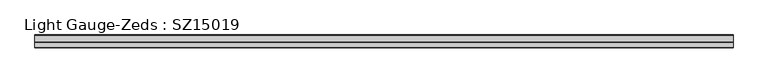
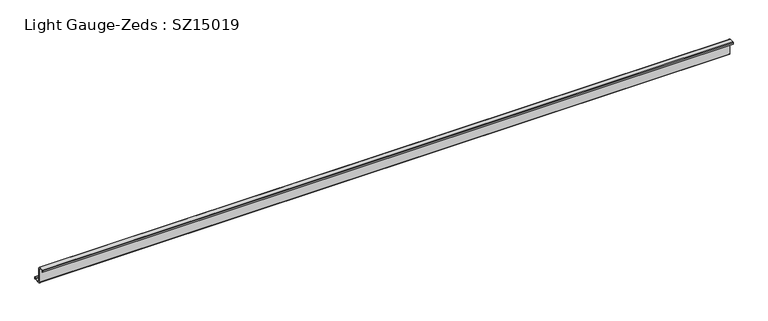
"""IFC4 building model written with IfcOpenShell, lengths in millimetres: beam geometry, Light Gauge-Zeds : SZ15019."""

from ifc_helpers import new_model, si_unit, point, frame, frame_2d, origin, place, context, project, spatial, polyline, circle_curve, trimmed, segment, composite_curve, outline, extrude, source, transform, mapped, element, save


def light_gauge_zeds_sz15019_36fa6fa9(model_context):
    return source(origin(), model_context, "Body", "SweptSolid", [
        extrude(outline(composite_curve([segment(polyline([(0.0, -72.1), (0.0, 72.1)]), True, "CONTINUOUS"), segment(trimmed(circle_curve(frame_2d((-2.0, 72.1)), 2.0), [point((0.0, 72.1))], [point((-2.0, 74.1))], True, "CARTESIAN"), True, "CONTINUOUS"), segment(polyline([(-2.0, 74.1), (-46.6, 74.1)]), True, "CONTINUOUS"), segment(trimmed(circle_curve(frame_2d((-46.6, 72.1)), 2.0), [point((-46.6, 74.1))], [point((-48.6, 72.1))], True, "CARTESIAN"), True, "CONTINUOUS"), segment(polyline([(-48.6, 72.1), (-48.6, 58.0), (-50.5, 58.0), (-50.5, 72.1)]), True, "CONTINUOUS"), segment(trimmed(circle_curve(frame_2d((-46.6, 72.1)), 3.9), [point((-50.5, 72.1))], [point((-46.6, 76.0))], False, "CARTESIAN"), True, "CONTINUOUS"), segment(polyline([(-46.6, 76.0), (-2.0, 76.0)]), True, "CONTINUOUS"), segment(trimmed(circle_curve(frame_2d((-2.0, 72.1)), 3.9), [point((-2.0, 76.0))], [point((1.9, 72.1))], False, "CARTESIAN"), True, "CONTINUOUS"), segment(polyline([(1.9, 72.1), (1.9, -72.1)]), True, "CONTINUOUS"), segment(trimmed(circle_curve(frame_2d((3.9, -72.1)), 2.0), [point((1.9, -72.1))], [point((3.9, -74.1))], True, "CARTESIAN"), True, "CONTINUOUS"), segment(polyline([(3.9, -74.1), (63.6, -74.1)]), True, "CONTINUOUS"), segment(trimmed(circle_curve(frame_2d((63.6, -72.1)), 2.0), [point((63.6, -74.1))], [point((65.6, -72.1))], True, "CARTESIAN"), True, "CONTINUOUS"), segment(polyline([(65.6, -72.1), (65.6, -57.0), (67.5, -57.0), (67.5, -72.1)]), True, "CONTINUOUS"), segment(trimmed(circle_curve(frame_2d((63.6, -72.1)), 3.9), [point((67.5, -72.1))], [point((63.6, -76.0))], False, "CARTESIAN"), True, "CONTINUOUS"), segment(polyline([(63.6, -76.0), (3.9, -76.0)]), True, "CONTINUOUS"), segment(trimmed(circle_curve(frame_2d((3.9, -72.1)), 3.9), [point((3.9, -76.0))], [point((0.0, -72.1))], False, "CARTESIAN"), True, "CONTINUOUS")], self_intersect=False)), frame((-3316.5, 0.0, 0.0), z_axis=(1.0, 0.0, 0.0), x_axis=(0.0, 1.0, 0.0)), (0.0, 0.0, 1.0), 6403.0),
    ])


if __name__ == "__main__":
    model = new_model("IFC4")
    model_context = context("Model", 3, world=origin())
    ifc_project = project(units=[si_unit("LENGTHUNIT", "METRE", prefix="MILLI")], contexts=[model_context])
    site = spatial("IfcSite", under=ifc_project)
    building = spatial("IfcBuilding", under=site)
    placement = place(None, origin())
    light_gauge_zeds_sz15019_shape = light_gauge_zeds_sz15019_36fa6fa9(model_context)
    element("IfcBeam", 1, ObjectType="Light Gauge-Zeds : SZ15019", at=placement, inside=building, context=model_context, shape_type="MappedRepresentation", body=[
        mapped(light_gauge_zeds_sz15019_shape, transform((0.0, 0.0, 0.0), x_axis=(1.0, 0.0, 0.0), y_axis=(0.0, 1.0, 0.0), z_axis=(0.0, 0.0, 1.0))),
    ])
    save(model, "model.ifc")
